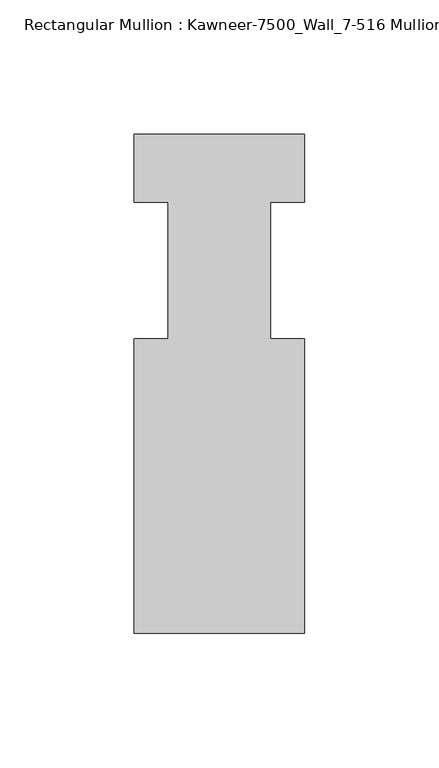
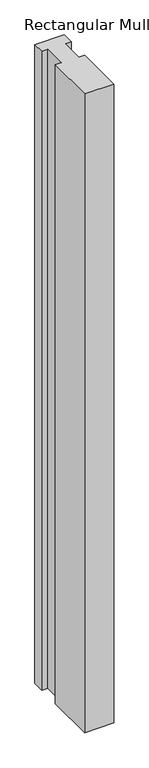
"""IFC4 building model written with IfcOpenShell, lengths in millimetres: member geometry, Rectangular Mullion : Kawneer-7500_Wall_7-516 Mullion_Horizontal."""

from ifc_helpers import new_model, si_unit, frame, origin, place, context, project, spatial, polyline, outline, extrude, source, transform, mapped, element, save


def rectangular_mullion_kawneer_7500_wall_7_516_mullion_1fa8f35c(model_context):
    return source(origin(), model_context, "Body", "SweptSolid", [
        extrude(outline(polyline([(36.0844027, -134.9375), (-27.4155973, -134.9375), (-27.4155973, -25.4), (-14.7155973, -25.4), (-14.7155973, 25.4), (-27.4155973, 25.4), (-27.4155973, 50.8), (36.0844027, 50.8), (36.0844027, 25.4), (23.3826322, 25.4), (23.3826322, -25.4), (36.0844027, -25.4), (36.0844027, -134.9375)])), frame((0.0, 0.0, -1460.5), z_axis=(0.0, 0.0, 1.0), x_axis=(1.0, 0.0, 0.0)), (0.0, 0.0, 1.0), 1460.5),
    ])


if __name__ == "__main__":
    model = new_model("IFC4")
    model_context = context("Model", 3, world=origin())
    ifc_project = project(units=[si_unit("LENGTHUNIT", "METRE", prefix="MILLI")], contexts=[model_context])
    site = spatial("IfcSite", under=ifc_project)
    building = spatial("IfcBuilding", under=site)
    placement = place(None, origin())
    rectangular_mullion_kawneer_7500_wall_7_516_mullion_shape = rectangular_mullion_kawneer_7500_wall_7_516_mullion_1fa8f35c(model_context)
    element("IfcMember", 1, ObjectType="Rectangular Mullion : Kawneer-7500_Wall_7-516 Mullion_Horizontal", at=placement, inside=building, context=model_context, shape_type="MappedRepresentation", body=[
        mapped(rectangular_mullion_kawneer_7500_wall_7_516_mullion_shape, transform((0.0, 0.0, 0.0), x_axis=(1.0, 0.0, 0.0), y_axis=(0.0, 1.0, 0.0), z_axis=(0.0, 0.0, 1.0))),
    ])
    save(model, "model.ifc")
